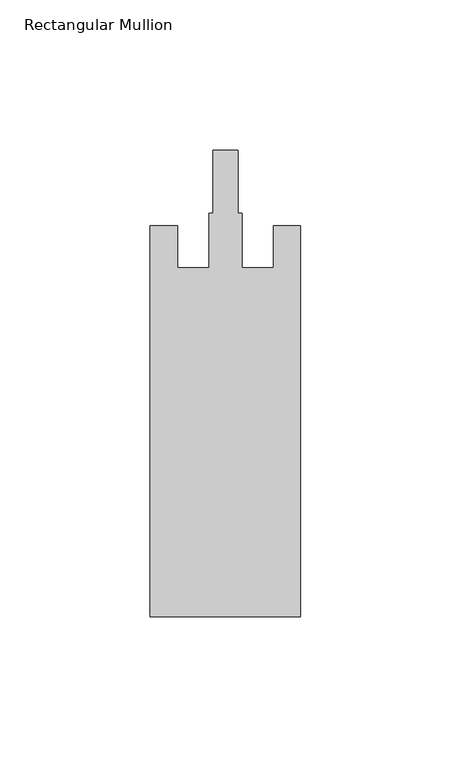
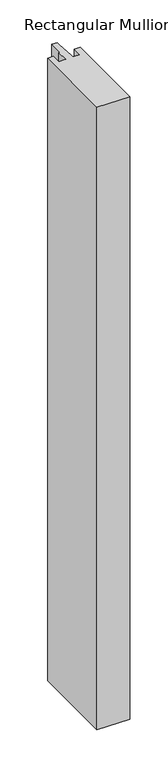
"""IFC4 building model written with IfcOpenShell, lengths in millimetres: member geometry, Rectangular Mullion."""

from ifc_helpers import new_model, si_unit, frame, origin, place, context, project, spatial, polyline, outline, extrude, source, transform, mapped, element, save


def rectangular_mullion_1ab8ce02(model_context):
    return source(origin(), model_context, "Body", "SweptSolid", [
        extrude(outline(polyline([(25.0, -162.0), (-25.0, -162.0), (-25.0, -32.0), (-16.0, -32.0), (-16.0, -46.0), (-5.5, -46.0), (-5.5, -27.8), (-4.1, -27.8), (-4.1, -7.0), (4.1, -7.0), (4.1, -27.8), (5.5, -27.8), (5.5, -46.0), (16.0, -46.0), (16.0, -32.0), (25.0, -32.0), (25.0, -162.0)])), frame((0.0, 0.0, -1000.0), z_axis=(0.0, 0.0, 1.0), x_axis=(1.0, 0.0, 0.0)), (0.0, 0.0, 1.0), 1000.0),
    ])


if __name__ == "__main__":
    model = new_model("IFC4")
    model_context = context("Model", 3, world=origin())
    ifc_project = project(units=[si_unit("LENGTHUNIT", "METRE", prefix="MILLI")], contexts=[model_context])
    site = spatial("IfcSite", under=ifc_project)
    building = spatial("IfcBuilding", under=site)
    placement = place(None, origin())
    rectangular_mullion_shape = rectangular_mullion_1ab8ce02(model_context)
    element("IfcMember", 1, ObjectType="Rectangular Mullion", at=placement, inside=building, context=model_context, shape_type="MappedRepresentation", body=[
        mapped(rectangular_mullion_shape, transform((0.0, 0.0, 0.0), x_axis=(1.0, 0.0, 0.0), y_axis=(0.0, 1.0, 0.0), z_axis=(0.0, 0.0, 1.0))),
    ])
    save(model, "model.ifc")
